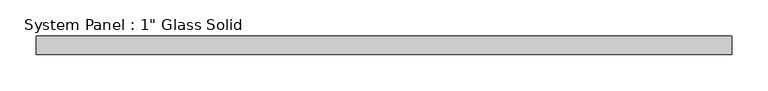
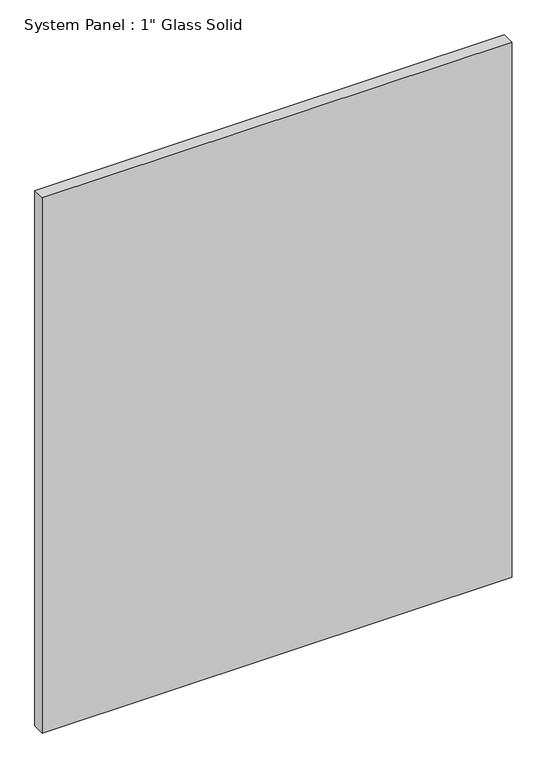
"""IFC4 building model written with IfcOpenShell, lengths in millimetres: plate geometry."""

from ifc_helpers import new_model, si_unit, origin, origin_with_axes, place, context, project, spatial, polyline, outline, extrude, source, transform, mapped, element, save


def plate_54ddce05(model_context):
    return source(origin(), model_context, "Body", "SweptSolid", [
        extrude(outline(polyline([(477.2577987, -12.7), (-477.2577987, -12.7), (-477.2577987, 12.7), (477.2577987, 12.7), (477.2577987, -12.7)])), origin_with_axes(), (0.0, 0.0, 1.0), 1149.3517704),
    ])


if __name__ == "__main__":
    model = new_model("IFC4")
    model_context = context("Model", 3, world=origin())
    ifc_project = project(units=[si_unit("LENGTHUNIT", "METRE", prefix="MILLI")], contexts=[model_context])
    site = spatial("IfcSite", under=ifc_project)
    building = spatial("IfcBuilding", under=site)
    placement = place(None, origin())
    plate_shape = plate_54ddce05(model_context)
    element("IfcPlate", 1, ObjectType="System Panel : 1\" Glass Solid", at=placement, inside=building, context=model_context, shape_type="MappedRepresentation", body=[
        mapped(plate_shape, transform((0.0, 0.0, 0.0), x_axis=(1.0, 0.0, 0.0), y_axis=(0.0, 1.0, 0.0), z_axis=(0.0, 0.0, 1.0))),
    ])
    save(model, "model.ifc")
